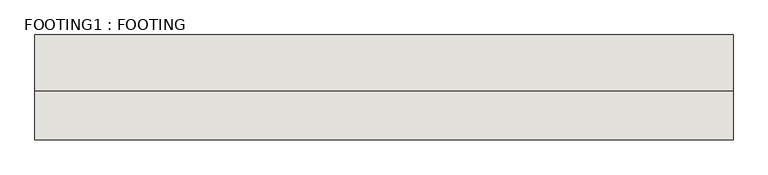
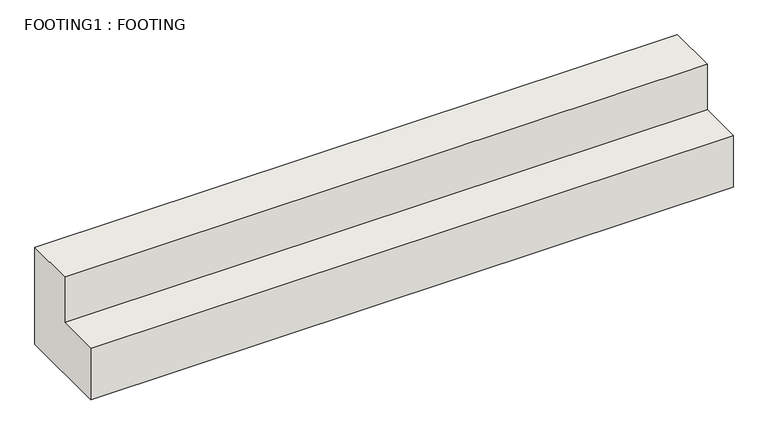
"""IFC4 building model written with IfcOpenShell, lengths in millimetres: wall geometry, FOOTING1 : FOOTING."""

from ifc_helpers import new_model, si_unit, frame, origin, place, context, project, spatial, polyline, outline, extrude, source, transform, mapped, element, save


def footing1_footing_7da617d3(model_context):
    return source(origin(), model_context, "Body", "SweptSolid", [
        extrude(outline(polyline([(3353.8152891, -3.175), (3353.8152891, -409.575), (2972.8152891, -409.575), (2972.8152891, -193.675), (3150.6152891, -193.675), (3150.6152891, -3.175), (3353.8152891, -3.175)])), frame((-1972.1785982, 0.0, 0.0), z_axis=(1.0, 0.0, 0.0), x_axis=(0.0, 1.0, 0.0)), (0.0, 0.0, 1.0), 2540.0),
    ])


if __name__ == "__main__":
    model = new_model("IFC4")
    model_context = context("Model", 3, world=origin())
    ifc_project = project(units=[si_unit("LENGTHUNIT", "METRE", prefix="MILLI")], contexts=[model_context])
    site = spatial("IfcSite", under=ifc_project)
    building = spatial("IfcBuilding", under=site)
    placement = place(None, origin())
    footing1_footing_shape = footing1_footing_7da617d3(model_context)
    element("IfcWall", 1, ObjectType="FOOTING1 : FOOTING", at=placement, inside=building, context=model_context, shape_type="MappedRepresentation", body=[
        mapped(footing1_footing_shape, transform((0.0, 0.0, 0.0), x_axis=(1.0, 0.0, 0.0), y_axis=(0.0, 1.0, 0.0), z_axis=(0.0, 0.0, 1.0))),
    ])
    save(model, "model.ifc")
